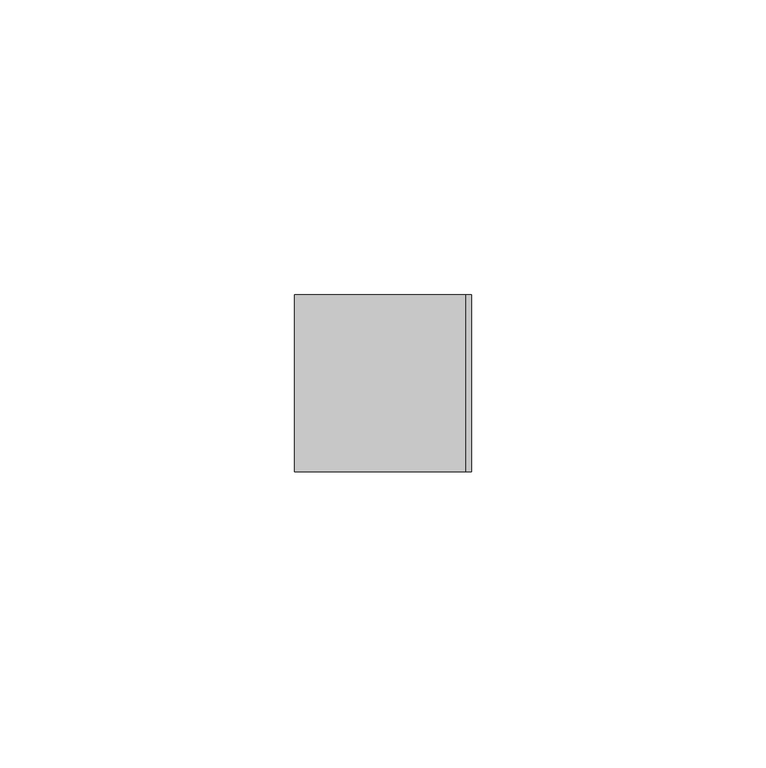
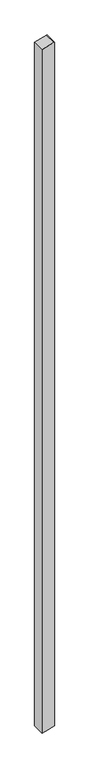
"""IFC4 building model written with IfcOpenShell, lengths in millimetres: member geometry."""

from ifc_helpers import new_model, si_unit, frame, origin, place, context, project, spatial, polyline, outline, extrude, source, transform, mapped, element, save


def member_354190af(model_context):
    return source(origin(), model_context, "Body", "SweptSolid", [
        extrude(outline(polyline([(-47.7068097, 15.0), (-47.9795878, 14.0697958), (-56.5041731, -15.0), (-1796.8987805, -15.0), (-1794.6133014, -6.4704761), (-1788.8603047, 15.0), (-47.7068097, 15.0)])), frame((0.0, -15.0, 0.0), z_axis=(0.0, 1.0, 0.0), x_axis=(0.0, 0.0, 1.0)), (0.0, 0.0, 1.0), 30.0),
    ])


if __name__ == "__main__":
    model = new_model("IFC4")
    model_context = context("Model", 3, world=origin())
    ifc_project = project(units=[si_unit("LENGTHUNIT", "METRE", prefix="MILLI")], contexts=[model_context])
    site = spatial("IfcSite", under=ifc_project)
    building = spatial("IfcBuilding", under=site)
    placement = place(None, origin())
    member_shape = member_354190af(model_context)
    element("IfcMember", 1, at=placement, inside=building, context=model_context, shape_type="MappedRepresentation", body=[
        mapped(member_shape, transform((0.0, 0.0, 0.0), x_axis=(1.0, 0.0, 0.0), y_axis=(0.0, 1.0, 0.0), z_axis=(0.0, 0.0, 1.0))),
    ])
    save(model, "model.ifc")
